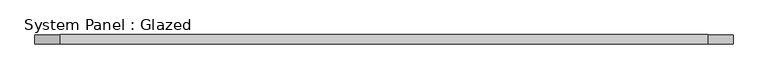
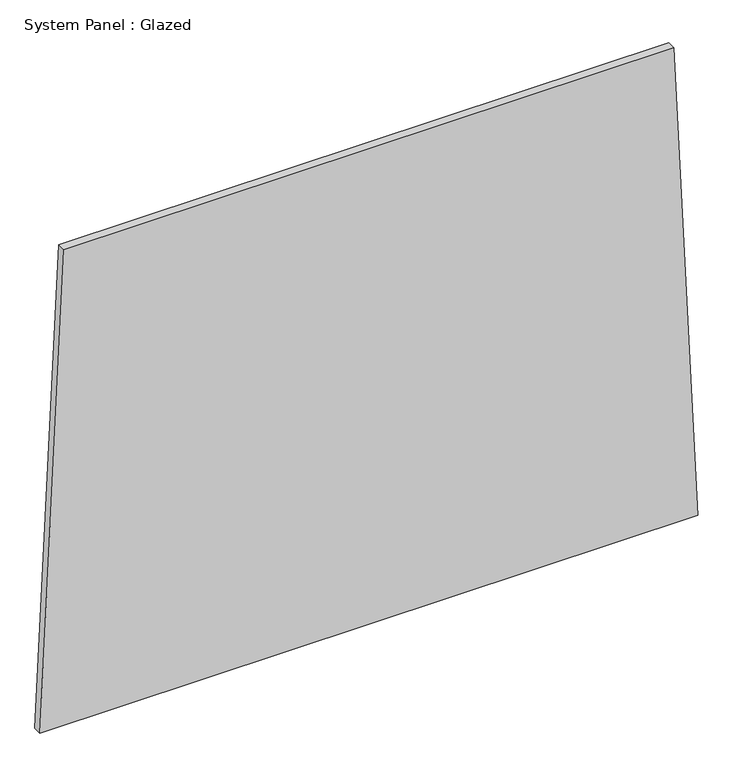
"""IFC4 building model written with IfcOpenShell, lengths in millimetres: plate geometry, System Panel : Glazed."""

from ifc_helpers import new_model, si_unit, frame, origin, place, context, project, spatial, polyline, outline, extrude, source, transform, mapped, element, save


def system_panel_glazed_7394d761(model_context):
    return source(origin(), model_context, "Body", "SweptSolid", [
        extrude(outline(polyline([(0.0, -947.6271061), (0.0, 947.6271061), (1448.2900687, 878.4170882), (1448.2898885, -878.4100941), (0.0, -947.6271061)])), frame((0.0, -49.5, 0.0), z_axis=(0.0, 1.0, 0.0), x_axis=(0.0, 0.0, 1.0)), (0.0, 0.0, 1.0), 25.0),
    ])


if __name__ == "__main__":
    model = new_model("IFC4")
    model_context = context("Model", 3, world=origin())
    ifc_project = project(units=[si_unit("LENGTHUNIT", "METRE", prefix="MILLI")], contexts=[model_context])
    site = spatial("IfcSite", under=ifc_project)
    building = spatial("IfcBuilding", under=site)
    placement = place(None, origin())
    system_panel_glazed_shape = system_panel_glazed_7394d761(model_context)
    element("IfcPlate", 1, ObjectType="System Panel : Glazed", at=placement, inside=building, context=model_context, shape_type="MappedRepresentation", body=[
        mapped(system_panel_glazed_shape, transform((0.0, 0.0, 0.0), x_axis=(1.0, 0.0, 0.0), y_axis=(0.0, 1.0, 0.0), z_axis=(0.0, 0.0, 1.0))),
    ])
    save(model, "model.ifc")
